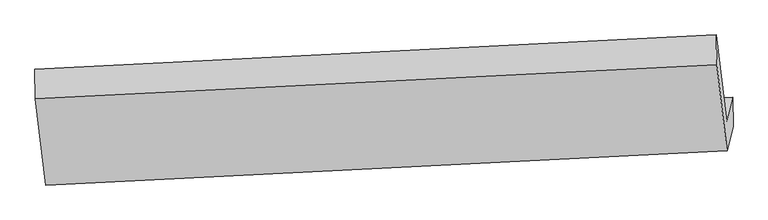
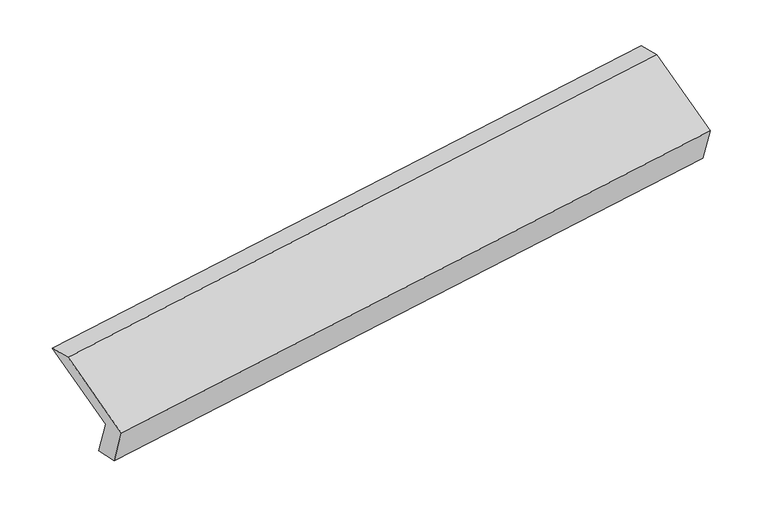
"""IFC4 building model written with IfcOpenShell, lengths in millimetres: proxy geometry."""

import ifcopenshell
import ifcopenshell.guid

model = None  # the IFC model being written
_history = None  # IfcOwnerHistory: only IFC2X3 demands one
_inside = {}  # id of a spatial element -> (the spatial element, [elements in it])
_under = {}  # id of a project, library or spatial element -> (it, [spatial elements below it])
_declared = {}  # id of a project -> (the project, [libraries it declares])
_typed = {}  # id of a type object -> (the type object, [elements of that type])
_made_of = {}  # id of a material, layer set ... -> (it, [elements and type objects made of it])


def new_model(schema):
    """Start an empty IFC model of exactly this schema.

    Asked for "IFC4X3", IfcOpenShell would pick the latest addendum, in which some entities
    have other attributes; the version numbers below select the first issue.
    IFC2X3 requires an IfcOwnerHistory on every rooted entity: one is made here for all.
    """
    global model, _history
    if schema == "IFC4X3":
        model = ifcopenshell.file(schema_version=(4, 3, 0, 0))
    else:
        model = ifcopenshell.file(schema=schema)
    _inside.clear()
    _under.clear()
    _declared.clear()
    _typed.clear()
    _made_of.clear()
    _history = None
    if model.schema == "IFC2X3":
        org = make("IfcOrganization", Name="unknown")
        user = make(
            "IfcPersonAndOrganization",
            ThePerson=make("IfcPerson", FamilyName="unknown"),
            TheOrganization=org,
        )
        app = make(
            "IfcApplication",
            ApplicationDeveloper=org,
            Version="unknown",
            ApplicationFullName="unknown",
            ApplicationIdentifier="unknown",
        )
        _history = make(
            "IfcOwnerHistory",
            OwningUser=user,
            OwningApplication=app,
            ChangeAction="ADDED",
            CreationDate=0,
        )
    return model


def make(cls, **values):
    """One entity of the class cls with the attributes given. An attribute that is None is left unset."""
    return model.create_entity(
        cls, **{name: value for name, value in values.items() if value is not None}
    )


def rooted(cls, **values):
    """An entity with a GlobalId (a new one), such as an element, a storey or a relation."""
    return make(cls, GlobalId=ifcopenshell.guid.new(), OwnerHistory=_history, **values)


def si_unit(unit_type, name, prefix=None):
    """IfcSIUnit, for example si_unit("LENGTHUNIT", "METRE", prefix="MILLI")."""
    return make("IfcSIUnit", UnitType=unit_type, Prefix=prefix, Name=name)


def assignment(units):
    """IfcUnitAssignment: the units of a project."""
    return None if units is None else make("IfcUnitAssignment", Units=units)


def point(xyz):
    """IfcCartesianPoint."""
    return None if xyz is None else make("IfcCartesianPoint", Coordinates=xyz)


def direction(xyz):
    """IfcDirection."""
    return None if xyz is None else make("IfcDirection", DirectionRatios=xyz)


def frame(location, z_axis=None, x_axis=None):
    """IfcAxis2Placement3D, a coordinate frame: its origin and axes. An axis left out is left unset."""
    return make(
        "IfcAxis2Placement3D",
        Location=point(location),
        Axis=direction(z_axis),
        RefDirection=direction(x_axis),
    )


def origin():
    """The frame at (0, 0, 0) with its axes left unset."""
    return frame((0.0, 0.0, 0.0))


def place(relative_to, where):
    """IfcLocalPlacement: puts the frame where relative to a parent placement (None: the world)."""
    return make(
        "IfcLocalPlacement", PlacementRelTo=relative_to, RelativePlacement=where
    )


def context(
    kind, dimensions, precision=None, world=None, true_north=None, identifier=None
):
    """IfcGeometricRepresentationContext, for example the 3D "Model" context."""
    return make(
        "IfcGeometricRepresentationContext",
        ContextIdentifier=identifier,
        ContextType=kind,
        CoordinateSpaceDimension=dimensions,
        Precision=precision,
        WorldCoordinateSystem=world,
        TrueNorth=true_north,
    )


def project(units=None, contexts=None):
    """IfcProject with its units and contexts."""
    return rooted(
        "IfcProject",
        Name="project",
        RepresentationContexts=contexts,
        UnitsInContext=assignment(units),
    )


def spatial(cls, under=None, at=None, **own):
    """A site, building, storey or space (cls), placed at a placement, below another one or the project."""
    s = rooted(cls, ObjectPlacement=at, **own)
    if under is not None:
        _under.setdefault(under.id(), (under, []))[1].append(s)
    return s


def faces_of(points, faces, orient=None, outer=None):
    """IfcFace entities. A face is a list of loops; a loop is a list of indices into points, from 0.

    orient and outer hold one flag for each loop. By default every Orientation is true, the
    first loop of a face is its IfcFaceOuterBound and the others are IfcFaceBound.
    """
    made = []
    for i, loops in enumerate(faces):
        bounds = []
        for j, loop in enumerate(loops):
            is_outer = j == 0 if outer is None else outer[i][j]
            bounds.append(
                make(
                    "IfcFaceOuterBound" if is_outer else "IfcFaceBound",
                    Bound=make("IfcPolyLoop", Polygon=[points[k] for k in loop]),
                    Orientation=True if orient is None else orient[i][j],
                )
            )
        made.append(make("IfcFace", Bounds=bounds))
    return made


def faceted_brep(points, faces, orient=None, outer=None, voids=None):
    """IfcFacetedBrep: a solid bounded by flat faces; with voids (closed shells), ...WithVoids."""
    shared = [point(p) for p in points]
    hull = make("IfcClosedShell", CfsFaces=faces_of(shared, faces, orient, outer))
    if voids is None:
        return make("IfcFacetedBrep", Outer=hull)
    return make(
        "IfcFacetedBrepWithVoids",
        Outer=hull,
        Voids=[
            make(cls, CfsFaces=faces_of(shared, fs, o, b)) for cls, fs, o, b in voids
        ],
    )


def shape(context_of_items, identifier, shape_type, items):
    """IfcShapeRepresentation: the items that make up one representation, for example the "Body"."""
    return make(
        "IfcShapeRepresentation",
        ContextOfItems=context_of_items,
        RepresentationIdentifier=identifier,
        RepresentationType=shape_type,
        Items=items,
    )


def source(mapping_origin, context_of_items, identifier, shape_type, items):
    """IfcRepresentationMap: a shape defined once, which mapped items show again and again."""
    return make(
        "IfcRepresentationMap",
        MappingOrigin=mapping_origin,
        MappedRepresentation=shape(context_of_items, identifier, shape_type, items),
    )


def transform(
    local_origin,
    x_axis=None,
    y_axis=None,
    z_axis=None,
    scale=None,
    scale2=None,
    scale3=None,
    uniform=True,
):
    """IfcCartesianTransformationOperator3D, or its non-uniform kind. x_axis, y_axis, z_axis: its Axis1, 2, 3."""
    if uniform:
        return make(
            "IfcCartesianTransformationOperator3D",
            Axis1=direction(x_axis),
            Axis2=direction(y_axis),
            LocalOrigin=point(local_origin),
            Scale=scale,
            Axis3=direction(z_axis),
        )
    return make(
        "IfcCartesianTransformationOperator3DnonUniform",
        Axis1=direction(x_axis),
        Axis2=direction(y_axis),
        LocalOrigin=point(local_origin),
        Scale=scale,
        Axis3=direction(z_axis),
        Scale2=scale2,
        Scale3=scale3,
    )


def mapped(mapping_source, mapping_target):
    """IfcMappedItem: shows the shape of a source again, moved by a transform."""
    return make(
        "IfcMappedItem", MappingSource=mapping_source, MappingTarget=mapping_target
    )


def made_of(thing, what):
    """Note that an element or type object is made of a material, layer set ...; save() writes the relation."""
    if what is not None:
        _made_of.setdefault(what.id(), (what, []))[1].append(thing)
    return thing


def element(
    cls,
    number,
    at=None,
    inside=None,
    cuts=None,
    type_object=None,
    material=None,
    context=None,
    identifier="Body",
    shape_type=None,
    held_by="IfcProductDefinitionShape",
    body=None,
    shapes=None,
    **own,
):
    """One element of the class cls, such as IfcWall. Its Tag is "e" and its number.

    at: its placement. inside: the storey or other place that contains it. cuts: it is an
    opening in that element (IfcRelVoidsElement). A single representation is given by context,
    identifier, shape_type and body (its items); several are given by shapes. held_by: the class
    of the entity that holds the representations. save() writes the other relations.
    """
    e = rooted(cls, Tag="e%d" % number, ObjectPlacement=at, **own)
    if body is not None:
        shapes = [shape(context, identifier, shape_type, body)]
    if shapes is not None:
        e.Representation = make(held_by, Representations=shapes)
    if inside is not None:
        _inside.setdefault(inside.id(), (inside, []))[1].append(e)
    if cuts is not None:
        rooted(
            "IfcRelVoidsElement", RelatingBuildingElement=cuts, RelatedOpeningElement=e
        )
    if type_object is not None:
        _typed.setdefault(type_object.id(), (type_object, []))[1].append(e)
    return made_of(e, material)


def aggregate(whole, parts):
    """IfcRelAggregates: a whole, such as a stair, and the parts it consists of."""
    return rooted("IfcRelAggregates", RelatingObject=whole, RelatedObjects=parts)


def save(model, path):
    """Write the relations noted so far, then the file.

    IfcRelAggregates (storeys below a building ...), IfcRelContainedInSpatialStructure (elements
    in a storey), IfcRelDefinesByType, IfcRelAssociatesMaterial and IfcRelDeclares: one each for
    every whole, place, type object, material and project.
    """
    for whole, parts in _under.values():
        aggregate(whole, parts)
    for where, things in _inside.values():
        rooted(
            "IfcRelContainedInSpatialStructure",
            RelatedElements=things,
            RelatingStructure=where,
        )
    for kind, things in _typed.values():
        rooted("IfcRelDefinesByType", RelatedObjects=things, RelatingType=kind)
    for what, things in _made_of.values():
        rooted("IfcRelAssociatesMaterial", RelatedObjects=things, RelatingMaterial=what)
    for by, libraries in _declared.values():
        rooted("IfcRelDeclares", RelatingContext=by, RelatedDefinitions=libraries)
    model.write(path)


def generic_models_2f215bfb(model_context):
    return source(origin(), model_context, "Body", "Brep", [
        faceted_brep([(-5185.2913393, -1611.1035493, 1234.2933058), (-5226.3287252, -1777.5554909, 1570.2465449), (-478.6173837, -1539.8302172, 2267.9730991), (-437.5799978, -1373.3782755, 1932.0198601), (-5181.5763583, -1813.8327729, 1275.7339675), (-433.8650167, -1576.1074992, 1973.4605217), (-5223.7017872, -1984.6979313, 1620.594489), (-475.9904456, -1746.9726576, 2318.3210432), (-5294.8622289, -1383.7250612, 1909.6610951), (-547.1508873, -1145.9997874, 2607.3876493), (-5297.4891669, -1176.5826208, 1859.313151), (-549.7778253, -938.857347, 2557.0397052)], [[[0, 1, 2, 3]], [[4, 0, 3, 5]], [[6, 4, 5, 7]], [[8, 6, 7, 9]], [[10, 8, 9, 11]], [[1, 10, 11, 2]], [[9, 7, 5, 3, 2, 11]], [[1, 0, 4, 6, 8, 10]]]),
    ])


if __name__ == "__main__":
    model = new_model("IFC4")
    model_context = context("Model", 3, world=origin())
    ifc_project = project(units=[si_unit("LENGTHUNIT", "METRE", prefix="MILLI")], contexts=[model_context])
    site = spatial("IfcSite", under=ifc_project)
    building = spatial("IfcBuilding", under=site)
    placement = place(None, origin())
    generic_models_shape = generic_models_2f215bfb(model_context)
    element("IfcBuildingElementProxy", 1, Name="Generic Models", at=placement, inside=building, context=model_context, shape_type="MappedRepresentation", body=[
        mapped(generic_models_shape, transform((0.0, 0.0, 0.0), x_axis=(1.0, 0.0, 0.0), y_axis=(0.0, 1.0, 0.0), z_axis=(0.0, 0.0, 1.0))),
    ])
    save(model, "model.ifc")
